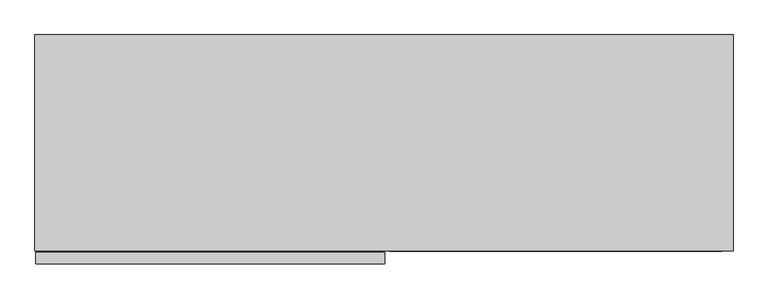
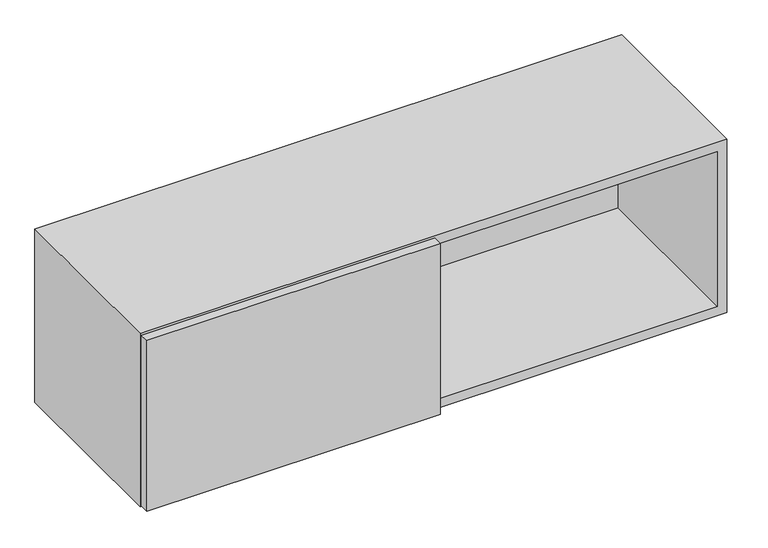
"""IFC4 building model written with IfcOpenShell, lengths in millimetres: furniture geometry."""

from ifc_helpers import new_model, si_unit, frame, origin, place, context, project, spatial, polyline, outline, extrude, faceted_brep, source, transform, mapped, element, save


def furniture_c6139c78(model_context):
    return source(origin(), model_context, "Body", "SolidModel", [
        extrude(outline(polyline([(610.6792365, -380.3650097), (610.6792365, -400.05), (1.5010712, -400.05), (1.5010712, -380.3650097), (610.6792365, -380.3650097)])), frame((0.0, 0.0, 1288.9992008), z_axis=(0.0, 0.0, 1.0), x_axis=(1.0, 0.0, 0.0)), (0.0, 0.0, 1.0), 375.0055984),
        faceted_brep([(599.0084682, -377.8757721, 1306.1696643), (599.0084682, -377.8757721, 1646.8343357), (599.0084682, -20.1675917, 1646.8343357), (599.0084682, -20.1675917, 1306.1696643), (0.0, -377.8757721, 1667.002), (0.0, -377.8757721, 1286.002), (1218.184, -377.8757721, 1286.002), (1218.184, -377.8757721, 1667.002), (20.1673737, -377.8757721, 1306.1696643), (20.1673737, -377.8757721, 1646.8343357), (619.1755318, -377.8757721, 1306.1696643), (619.1755318, -377.8757721, 1646.8343357), (1198.0166263, -377.8757721, 1646.8343357), (1198.0166263, -377.8757721, 1306.1696643), (619.1755318, -20.1675917, 1306.1696643), (619.1755318, -20.1675917, 1646.8343357), (20.1673737, -20.1675917, 1306.1696643), (1198.0166263, -20.1675917, 1306.1696643), (0.0, 0.0, 1286.002), (1218.184, 0.0, 1286.002), (0.0, 0.0, 1667.002), (1218.184, 0.0, 1667.002), (20.1673737, -20.1675917, 1646.8343357), (1198.0166263, -20.1675917, 1646.8343357)], [[[0, 1, 2, 3]], [[4, 5, 6, 7], [1, 0, 8, 9], [10, 11, 12, 13]], [[11, 10, 14, 15]], [[8, 0, 3, 16]], [[10, 13, 17, 14]], [[18, 19, 6, 5]], [[20, 4, 7, 21]], [[4, 20, 18, 5]], [[8, 16, 22, 9]], [[3, 2, 22, 16]], [[15, 14, 17, 23]], [[17, 13, 12, 23]], [[21, 7, 6, 19]], [[20, 21, 19, 18]], [[1, 9, 22, 2]], [[12, 11, 15, 23]]]),
    ])


if __name__ == "__main__":
    model = new_model("IFC4")
    model_context = context("Model", 3, world=origin())
    ifc_project = project(units=[si_unit("LENGTHUNIT", "METRE", prefix="MILLI")], contexts=[model_context])
    site = spatial("IfcSite", under=ifc_project)
    building = spatial("IfcBuilding", under=site)
    placement = place(None, origin())
    furniture_shape = furniture_c6139c78(model_context)
    element("IfcFurniture", 1, at=placement, inside=building, context=model_context, shape_type="MappedRepresentation", body=[
        mapped(furniture_shape, transform((0.0, 0.0, 0.0), x_axis=(1.0, 0.0, 0.0), y_axis=(0.0, 1.0, 0.0), z_axis=(0.0, 0.0, 1.0))),
    ])
    save(model, "model.ifc")
